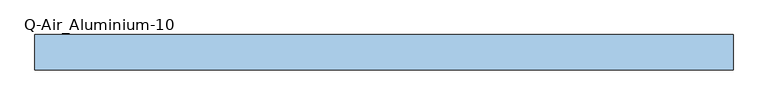
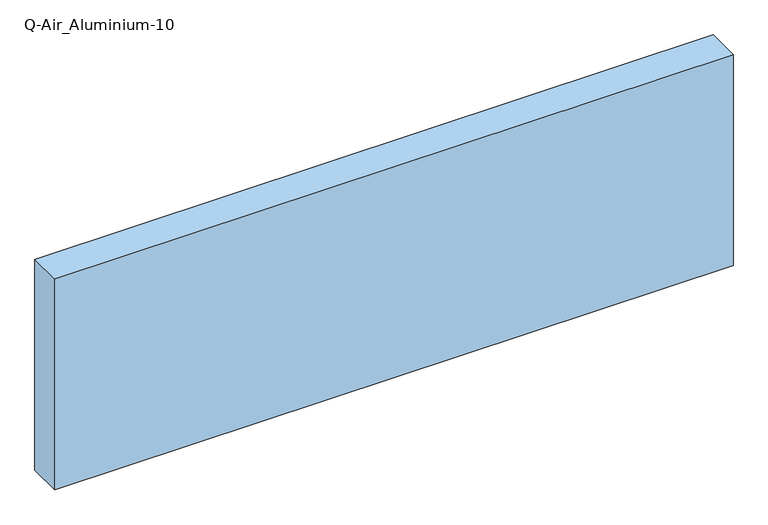
"""IFC4 building model written with IfcOpenShell, lengths in millimetres: window geometry, Q-Air_Aluminium-10."""

from ifc_helpers import new_model, si_unit, origin, origin_with_axes, place, context, project, spatial, polyline, outline, extrude, source, transform, mapped, element, save


def q_air_aluminium_10_9797b1f4(model_context):
    return source(origin(), model_context, "Body", "SweptSolid", [
        extrude(outline(polyline([(1307.4000002, 0.0), (1307.4000002, -127.0), (-1185.0000002, -127.0), (-1185.0000002, 0.0), (1307.4000002, 0.0)])), origin_with_axes(), (0.0, 0.0, 1.0), 820.0),
    ])


if __name__ == "__main__":
    model = new_model("IFC4")
    model_context = context("Model", 3, world=origin())
    ifc_project = project(units=[si_unit("LENGTHUNIT", "METRE", prefix="MILLI")], contexts=[model_context])
    site = spatial("IfcSite", under=ifc_project)
    building = spatial("IfcBuilding", under=site)
    placement = place(None, origin())
    q_air_aluminium_10_shape = q_air_aluminium_10_9797b1f4(model_context)
    element("IfcWindow", 1, ObjectType="Q-Air_Aluminium-10", at=placement, inside=building, context=model_context, shape_type="MappedRepresentation", body=[
        mapped(q_air_aluminium_10_shape, transform((0.0, 0.0, 0.0), x_axis=(1.0, 0.0, 0.0), y_axis=(0.0, 1.0, 0.0), z_axis=(0.0, 0.0, 1.0))),
    ])
    save(model, "model.ifc")
